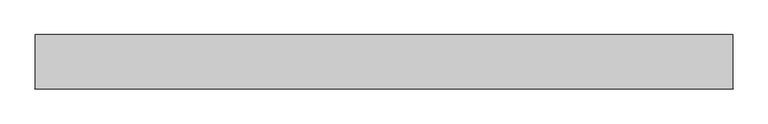
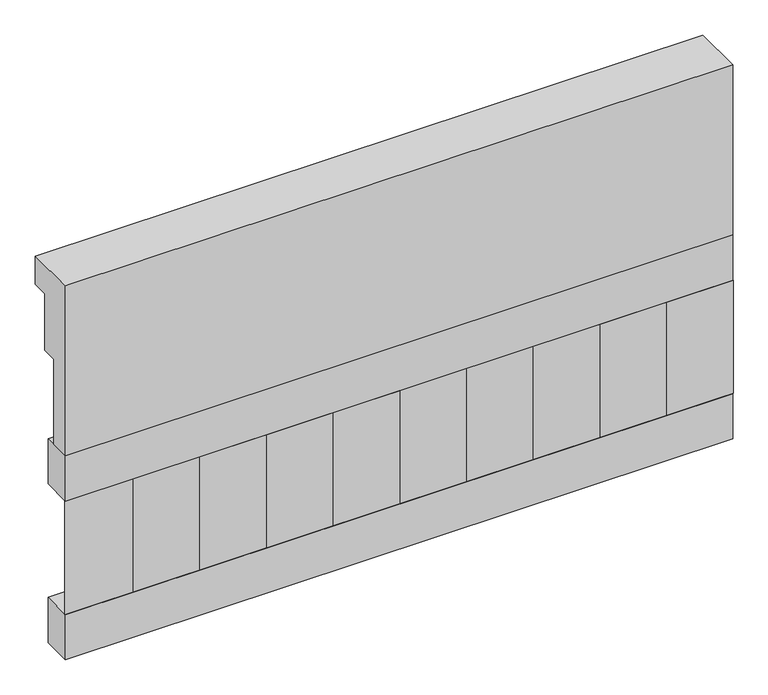
"""IFC4 building model written with IfcOpenShell, lengths in millimetres: railing geometry."""

from ifc_helpers import new_model, si_unit, frame, origin, place, context, project, spatial, polyline, outline, extrude, source, transform, mapped, element, save


def railing_f058a388(model_context):
    return source(origin(), model_context, "Body", "SweptSolid", [
        extrude(outline(polyline([(903.1079487, 18500.0), (1033.1079487, 18500.0), (1033.1079487, 18425.0), (993.1079487, 18425.0), (993.1079487, 18275.0), (953.1079487, 18275.0), (953.1079487, 18050.0), (903.1079487, 18050.0), (903.1079487, 18500.0)])), frame((26190.0112841, 0.0, 0.0), z_axis=(1.0, 0.0, 0.0), x_axis=(0.0, 1.0, 0.0)), (0.0, 0.0, 1.0), 1670.0),
        extrude(outline(polyline([(27860.0112841, 978.1079487), (27860.0112841, 903.1079487), (26190.0112841, 903.1079487), (26190.0112841, 978.1079487), (27860.0112841, 978.1079487)])), frame((0.0, 0.0, 17930.0), z_axis=(0.0, 0.0, 1.0), x_axis=(1.0, 0.0, 0.0)), (0.0, 0.0, 1.0), 120.0),
        extrude(outline(polyline([(27860.0112841, 978.1079487), (27860.0112841, 903.1079487), (26190.0112841, 903.1079487), (26190.0112841, 978.1079487), (27860.0112841, 978.1079487)])), frame((0.0, 0.0, 17510.0), z_axis=(0.0, 0.0, 1.0), x_axis=(1.0, 0.0, 0.0)), (0.0, 0.0, 1.0), 120.0),
        extrude(outline(polyline([(26273.5112841, 987.9607624), (26358.3640978, 903.1079487), (26188.6584704, 903.1079487), (26273.5112841, 987.9607624)])), frame((0.0, 0.0, 17630.0), z_axis=(0.0, 0.0, 1.0), x_axis=(1.0, 0.0, 0.0)), (0.0, 0.0, 1.0), 300.0),
        extrude(outline(polyline([(26440.5112841, 987.9607624), (26525.3640978, 903.1079487), (26355.6584704, 903.1079487), (26440.5112841, 987.9607624)])), frame((0.0, 0.0, 17630.0), z_axis=(0.0, 0.0, 1.0), x_axis=(1.0, 0.0, 0.0)), (0.0, 0.0, 1.0), 300.0),
        extrude(outline(polyline([(26607.5112841, 987.9607624), (26692.3640978, 903.1079487), (26522.6584704, 903.1079487), (26607.5112841, 987.9607624)])), frame((0.0, 0.0, 17630.0), z_axis=(0.0, 0.0, 1.0), x_axis=(1.0, 0.0, 0.0)), (0.0, 0.0, 1.0), 300.0),
        extrude(outline(polyline([(26774.5112841, 987.9607624), (26859.3640978, 903.1079487), (26689.6584704, 903.1079487), (26774.5112841, 987.9607624)])), frame((0.0, 0.0, 17630.0), z_axis=(0.0, 0.0, 1.0), x_axis=(1.0, 0.0, 0.0)), (0.0, 0.0, 1.0), 300.0),
        extrude(outline(polyline([(26941.5112841, 987.9607624), (27026.3640978, 903.1079487), (26856.6584704, 903.1079487), (26941.5112841, 987.9607624)])), frame((0.0, 0.0, 17630.0), z_axis=(0.0, 0.0, 1.0), x_axis=(1.0, 0.0, 0.0)), (0.0, 0.0, 1.0), 300.0),
        extrude(outline(polyline([(27108.5112841, 987.9607624), (27193.3640978, 903.1079487), (27023.6584704, 903.1079487), (27108.5112841, 987.9607624)])), frame((0.0, 0.0, 17630.0), z_axis=(0.0, 0.0, 1.0), x_axis=(1.0, 0.0, 0.0)), (0.0, 0.0, 1.0), 300.0),
        extrude(outline(polyline([(27275.5112841, 987.9607624), (27360.3640978, 903.1079487), (27190.6584704, 903.1079487), (27275.5112841, 987.9607624)])), frame((0.0, 0.0, 17630.0), z_axis=(0.0, 0.0, 1.0), x_axis=(1.0, 0.0, 0.0)), (0.0, 0.0, 1.0), 300.0),
        extrude(outline(polyline([(27442.5112841, 987.9607624), (27527.3640978, 903.1079487), (27357.6584704, 903.1079487), (27442.5112841, 987.9607624)])), frame((0.0, 0.0, 17630.0), z_axis=(0.0, 0.0, 1.0), x_axis=(1.0, 0.0, 0.0)), (0.0, 0.0, 1.0), 300.0),
        extrude(outline(polyline([(27609.5112841, 987.9607624), (27694.3640978, 903.1079487), (27524.6584704, 903.1079487), (27609.5112841, 987.9607624)])), frame((0.0, 0.0, 17630.0), z_axis=(0.0, 0.0, 1.0), x_axis=(1.0, 0.0, 0.0)), (0.0, 0.0, 1.0), 300.0),
        extrude(outline(polyline([(27776.5112841, 987.9607624), (27861.3640978, 903.1079487), (27691.6584704, 903.1079487), (27776.5112841, 987.9607624)])), frame((0.0, 0.0, 17630.0), z_axis=(0.0, 0.0, 1.0), x_axis=(1.0, 0.0, 0.0)), (0.0, 0.0, 1.0), 300.0),
    ])


if __name__ == "__main__":
    model = new_model("IFC4")
    model_context = context("Model", 3, world=origin())
    ifc_project = project(units=[si_unit("LENGTHUNIT", "METRE", prefix="MILLI")], contexts=[model_context])
    site = spatial("IfcSite", under=ifc_project)
    building = spatial("IfcBuilding", under=site)
    placement = place(None, origin())
    railing_shape = railing_f058a388(model_context)
    element("IfcRailing", 1, at=placement, inside=building, context=model_context, shape_type="MappedRepresentation", body=[
        mapped(railing_shape, transform((0.0, 0.0, 0.0), x_axis=(1.0, 0.0, 0.0), y_axis=(0.0, 1.0, 0.0), z_axis=(0.0, 0.0, 1.0))),
    ])
    save(model, "model.ifc")
